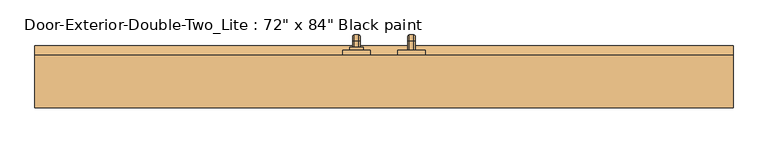
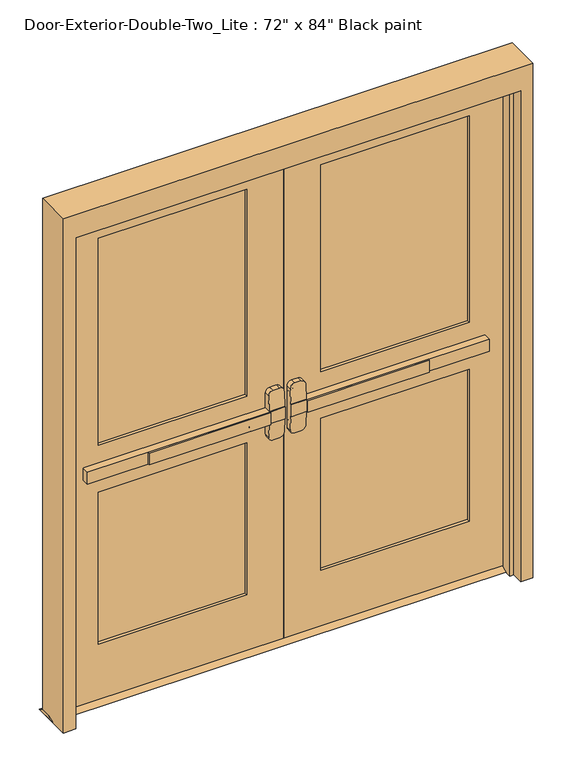
"""IFC4 building model written with IfcOpenShell, lengths in millimetres: door geometry."""

from ifc_helpers import new_model, si_unit, point, frame, frame_2d, origin, place, context, project, spatial, polyline, circle_curve, ellipse_curve, trimmed, segment, composite_curve, outline, extrude, faceted_brep, source, transform, mapped, element, save
from ifc_brep_helpers import plane_surface, cylinder_surface, revolved_surface, advanced_brep


def door_16f6c9f8(model_context):
    return source(origin(), model_context, "Body", "SolidModel", [
        extrude(outline(polyline([(-575.7333333, -4.7625), (-575.7333333, 1.5875), (-76.2, 1.5875), (-76.2, -4.7625), (-575.7333333, -4.7625)])), frame((0.0, 0.0, 990.6), z_axis=(0.0, 0.0, 1.0), x_axis=(1.0, 0.0, 0.0)), (0.0, 0.0, 1.0), 50.8),
        advanced_brep(
        [(-12.7, 1.5875, 1041.4), (-76.2, 1.5875, 1041.4), (-825.5, 1.5875, 1041.4), (-825.5, 1.5875, 990.6), (-76.2, 1.5875, 990.6), (-12.7, 1.5875, 990.6), (-825.5, 33.3375, 1041.4), (-76.2, 33.3375, 1041.4), (-76.2, 33.3375, 1104.9), (-57.15, 33.3375, 1123.95), (-31.75, 33.3375, 1123.95), (-12.7, 33.3375, 1104.9), (-12.7, 33.3375, 927.1), (-31.75, 33.3375, 908.05), (-57.15, 33.3375, 908.05), (-76.2, 33.3375, 927.1), (-76.2, 33.3375, 990.6), (-825.5, 33.3375, 990.6), (-12.7, 4.7627467, 1041.4), (-76.2, 4.7627467, 1041.4), (-12.7, 4.7627467, 990.6), (-12.7, 9.7729269, 927.1), (-12.7, 9.7729269, 1104.9), (-76.2, 4.7627467, 990.6), (-76.2, 9.7729269, 1104.9), (-76.2, 9.7729269, 927.1), (-57.15, 11.275981, 1123.95), (-31.75, 11.275981, 1123.95), (-31.75, 11.275981, 908.05), (-57.15, 11.275981, 908.05)],
        [
            (0, 1),
            (1, 2),
            (2, 3),
            (3, 4),
            (4, 5),
            (5, 0),
            (6, 7),
            (7, 8),
            (8, 9, circle_curve(frame((-57.15, 33.3375, 1104.9), z_axis=(0.0, 1.0, 0.0), x_axis=(-1.0, 0.0, 0.0)), 19.05)),
            (9, 10),
            (10, 11, circle_curve(frame((-31.75, 33.3375, 1104.9), z_axis=(0.0, 1.0, 0.0), x_axis=(-1.0, 0.0, 0.0)), 19.05)),
            (11, 12),
            (12, 13, circle_curve(frame((-31.75, 33.3375, 927.1), z_axis=(0.0, 1.0, 0.0), x_axis=(-1.0, 0.0, 0.0)), 19.05)),
            (13, 14),
            (14, 15, circle_curve(frame((-57.15, 33.3375, 927.1), z_axis=(0.0, 1.0, 0.0), x_axis=(-1.0, 0.0, 0.0)), 19.05)),
            (15, 16),
            (16, 17),
            (17, 6),
            (0, 18),
            (18, 19),
            (19, 7),
            (6, 2),
            (5, 20),
            (20, 21),
            (21, 12),
            (11, 22),
            (22, 18),
            (16, 23),
            (23, 20),
            (3, 17),
            (19, 24),
            (24, 8),
            (15, 25),
            (25, 23),
            (9, 26),
            (26, 27),
            (27, 10),
            (13, 28),
            (28, 29),
            (29, 14),
            (29, 25, ellipse_curve(frame((-57.15, 9.7729269, 927.1), z_axis=(0.0, 0.9969018152893365, 0.07865602756830282), x_axis=(0.0, -0.07865602756830208, 0.9969018152893365)), 19.1092038, 19.05)),
            (24, 26, ellipse_curve(frame((-57.15, 9.7729269, 1104.9), z_axis=(0.0, 0.9969018152893376, -0.07865602756828934), x_axis=(0.0, -0.078656027568288, -0.9969018152893377)), 19.1092038, 19.05)),
            (27, 22, ellipse_curve(frame((-31.75, 9.7729269, 1104.9), z_axis=(0.0, 0.9969018152893376, -0.07865602756828934), x_axis=(0.0, -0.078656027568288, -0.9969018152893377)), 19.1092038, 19.05)),
            (21, 28, ellipse_curve(frame((-31.75, 9.7729269, 927.1), z_axis=(0.0, 0.9969018152893365, 0.07865602756830282), x_axis=(0.0, -0.07865602756830208, 0.9969018152893365)), 19.1092038, 19.05)),
        ],
        [
            plane_surface(frame((-12.7, 1.5875, 1041.4), z_axis=(0.0, -1.0, 0.0), x_axis=(1.0, 0.0, 0.0))),
            plane_surface(frame((-12.7, 33.3375, 1041.4), z_axis=(0.0, 1.0, 0.0), x_axis=(-1.0, 0.0, 0.0))),
            plane_surface(frame((-825.5, 1.5875, 1041.4), z_axis=(0.0, 0.0, 1.0), x_axis=(0.0, 1.0, 0.0))),
            plane_surface(frame((-12.7, 1.5875, 1041.4), z_axis=(1.0, 0.0, 0.0), x_axis=(0.0, 1.0, 0.0))),
            plane_surface(frame((-12.7, 1.5875, 990.6), z_axis=(0.0, 0.0, -1.0), x_axis=(0.0, 1.0, 0.0))),
            plane_surface(frame((-825.5, 1.5875, 990.6), z_axis=(-1.0, 0.0, 0.0), x_axis=(0.0, 1.0, 0.0))),
            plane_surface(frame((-76.2, 4.7627467, 927.1), z_axis=(-1.0, 0.0, 0.0), x_axis=(0.0, 1.0, 0.0))),
            plane_surface(frame((-57.15, 4.7627467, 1123.95), z_axis=(0.0, 0.0, 1.0), x_axis=(0.0, 1.0, 0.0))),
            plane_surface(frame((-31.75, 4.7627467, 908.05), z_axis=(0.0, 0.0, -1.0), x_axis=(0.0, 1.0, 0.0))),
            cylinder_surface(frame((-57.15, 33.3375, 927.1), z_axis=(0.0, -1.0, 0.0), x_axis=(-1.0, 0.0, 0.0)), 19.05),
            cylinder_surface(frame((-57.15, 33.3375, 1104.9), z_axis=(0.0, -1.0, 0.0), x_axis=(-1.0, 0.0, 0.0)), 19.05),
            cylinder_surface(frame((-31.75, 33.3375, 1104.9), z_axis=(0.0, -1.0, 0.0), x_axis=(-1.0, 0.0, 0.0)), 19.05),
            cylinder_surface(frame((-31.75, 33.3375, 927.1), z_axis=(0.0, -1.0, 0.0), x_axis=(-1.0, 0.0, 0.0)), 19.05),
            plane_surface(frame((-76.2, 4.7627467, 1041.4), z_axis=(0.0, -0.9969018152893376, 0.07865602756828934), x_axis=(1.0, 0.0, 0.0))),
            plane_surface(frame((-76.2, 11.275981, 908.05), z_axis=(0.0, -0.9969018152893365, -0.07865602756830282), x_axis=(1.0, 0.0, 0.0))),
        ],
        [
            (0, [[1, 2, 3, 4, 5, 6]]),
            (1, [[7, 8, 9, 10, 11, 12, 13, 14, 15, 16, 17, 18]]),
            (2, [[-2, -1, 19, 20, 21, -7, 22]]),
            (3, [[23, 24, 25, -12, 26, 27, -19, -6]]),
            (4, [[-17, 28, 29, -23, -5, -4, 30]]),
            (5, [[-22, -18, -30, -3]]),
            (6, [[-21, 31, 32, -8]]),
            (6, [[33, 34, -28, -16]]),
            (7, [[35, 36, 37, -10]]),
            (8, [[38, 39, 40, -14]]),
            (9, [[-40, 41, -33, -15]]),
            (10, [[-32, 42, -35, -9]]),
            (11, [[-37, 43, -26, -11]]),
            (12, [[-25, 44, -38, -13]]),
            (13, [[-27, -43, -36, -42, -31, -20]]),
            (14, [[-29, -34, -41, -39, -44, -24]]),
        ],
    ),
        extrude(outline(polyline([(77.7875, 12.7), (103.1875, 0.0), (7.9375, 0.0), (33.3375, 12.7), (77.7875, 12.7)])), frame((-965.2, 0.0, 0.0), z_axis=(1.0, 0.0, 0.0), x_axis=(0.0, 1.0, 0.0)), (0.0, 0.0, 1.0), 1930.4),
        extrude(outline(polyline([(575.7333333, -4.7625), (76.2, -4.7625), (76.2, 1.5875), (575.7333333, 1.5875), (575.7333333, -4.7625)])), frame((0.0, 0.0, 990.6), z_axis=(0.0, 0.0, 1.0), x_axis=(1.0, 0.0, 0.0)), (0.0, 0.0, 1.0), 50.8),
        advanced_brep(
        [(12.7, 1.5875, 1041.4), (12.7, 1.5875, 990.6), (76.2, 1.5875, 990.6), (825.5, 1.5875, 990.6), (825.5, 1.5875, 1041.4), (76.2, 1.5875, 1041.4), (825.5, 33.3375, 1041.4), (825.5, 33.3375, 990.6), (76.2, 33.3375, 990.6), (76.2, 33.3375, 927.1), (57.15, 33.3375, 908.05), (31.75, 33.3375, 908.05), (12.7, 33.3375, 927.1), (12.7, 33.3375, 1104.9), (31.75, 33.3375, 1123.95), (57.15, 33.3375, 1123.95), (76.2, 33.3375, 1104.9), (76.2, 33.3375, 1041.4), (76.2, 4.7627467, 1041.4), (12.7, 4.7627467, 1041.4), (12.7, 9.7729269, 1104.9), (12.7, 9.7729269, 927.1), (12.7, 4.7627467, 990.6), (76.2, 4.7627467, 990.6), (76.2, 9.7729269, 927.1), (76.2, 9.7729269, 1104.9), (31.75, 11.275981, 1123.95), (57.15, 11.275981, 1123.95), (57.15, 11.275981, 908.05), (31.75, 11.275981, 908.05)],
        [
            (0, 1),
            (1, 2),
            (2, 3),
            (3, 4),
            (4, 5),
            (5, 0),
            (6, 7),
            (7, 8),
            (8, 9),
            (9, 10, circle_curve(frame((57.15, 33.3375, 927.1), z_axis=(0.0, 1.0, 0.0), x_axis=(1.0, 0.0, 0.0)), 19.05)),
            (10, 11),
            (11, 12, circle_curve(frame((31.75, 33.3375, 927.1), z_axis=(0.0, 1.0, 0.0), x_axis=(1.0, 0.0, 0.0)), 19.05)),
            (12, 13),
            (13, 14, circle_curve(frame((31.75, 33.3375, 1104.9), z_axis=(0.0, 1.0, 0.0), x_axis=(1.0, 0.0, 0.0)), 19.05)),
            (14, 15),
            (15, 16, circle_curve(frame((57.15, 33.3375, 1104.9), z_axis=(0.0, 1.0, 0.0), x_axis=(1.0, 0.0, 0.0)), 19.05)),
            (16, 17),
            (17, 6),
            (4, 6),
            (17, 18),
            (18, 19),
            (19, 0),
            (19, 20),
            (20, 13),
            (12, 21),
            (21, 22),
            (22, 1),
            (7, 3),
            (22, 23),
            (23, 8),
            (23, 24),
            (24, 9),
            (16, 25),
            (25, 18),
            (14, 26),
            (26, 27),
            (27, 15),
            (10, 28),
            (28, 29),
            (29, 11),
            (24, 28, ellipse_curve(frame((57.15, 9.7729269, 927.1), z_axis=(0.0, 0.9969018152893365, 0.07865602756830282), x_axis=(0.0, -0.07865602756830208, 0.9969018152893365)), 19.1092038, 19.05)),
            (27, 25, ellipse_curve(frame((57.15, 9.7729269, 1104.9), z_axis=(0.0, 0.9969018152893376, -0.07865602756828934), x_axis=(0.0, -0.078656027568288, -0.9969018152893377)), 19.1092038, 19.05)),
            (20, 26, ellipse_curve(frame((31.75, 9.7729269, 1104.9), z_axis=(0.0, 0.9969018152893376, -0.07865602756828934), x_axis=(0.0, -0.078656027568288, -0.9969018152893377)), 19.1092038, 19.05)),
            (29, 21, ellipse_curve(frame((31.75, 9.7729269, 927.1), z_axis=(0.0, 0.9969018152893365, 0.07865602756830282), x_axis=(0.0, -0.07865602756830208, 0.9969018152893365)), 19.1092038, 19.05)),
        ],
        [
            plane_surface(frame((12.7, 1.5875, 1041.4), z_axis=(0.0, -1.0, 0.0), x_axis=(-1.0, 0.0, 0.0))),
            plane_surface(frame((12.7, 33.3375, 1041.4), z_axis=(0.0, 1.0, 0.0), x_axis=(1.0, 0.0, 0.0))),
            plane_surface(frame((825.5, 1.5875, 1041.4), z_axis=(0.0, 0.0, 1.0), x_axis=(0.0, 1.0, 0.0))),
            plane_surface(frame((12.7, 1.5875, 1041.4), z_axis=(-1.0, 0.0, 0.0), x_axis=(0.0, 1.0, 0.0))),
            plane_surface(frame((12.7, 1.5875, 990.6), z_axis=(0.0, 0.0, -1.0), x_axis=(0.0, 1.0, 0.0))),
            plane_surface(frame((825.5, 1.5875, 990.6), z_axis=(1.0, 0.0, 0.0), x_axis=(0.0, 1.0, 0.0))),
            plane_surface(frame((76.2, 4.7627467, 927.1), z_axis=(1.0, 0.0, 0.0), x_axis=(0.0, 1.0, 0.0))),
            plane_surface(frame((57.15, 4.7627467, 1123.95), z_axis=(0.0, 0.0, 1.0), x_axis=(0.0, 1.0, 0.0))),
            plane_surface(frame((31.75, 4.7627467, 908.05), z_axis=(0.0, 0.0, -1.0), x_axis=(0.0, 1.0, 0.0))),
            cylinder_surface(frame((57.15, 33.3375, 927.1), z_axis=(0.0, -1.0, 0.0), x_axis=(1.0, 0.0, 0.0)), 19.05),
            cylinder_surface(frame((57.15, 33.3375, 1104.9), z_axis=(0.0, -1.0, 0.0), x_axis=(1.0, 0.0, 0.0)), 19.05),
            cylinder_surface(frame((31.75, 33.3375, 1104.9), z_axis=(0.0, -1.0, 0.0), x_axis=(1.0, 0.0, 0.0)), 19.05),
            cylinder_surface(frame((31.75, 33.3375, 927.1), z_axis=(0.0, -1.0, 0.0), x_axis=(1.0, 0.0, 0.0)), 19.05),
            plane_surface(frame((76.2, 4.7627467, 1041.4), z_axis=(0.0, -0.9969018152893376, 0.07865602756828934), x_axis=(-1.0, 0.0, 0.0))),
            plane_surface(frame((76.2, 11.275981, 908.05), z_axis=(0.0, -0.9969018152893365, -0.07865602756830282), x_axis=(-1.0, 0.0, 0.0))),
        ],
        [
            (0, [[1, 2, 3, 4, 5, 6]]),
            (1, [[7, 8, 9, 10, 11, 12, 13, 14, 15, 16, 17, 18]]),
            (2, [[19, -18, 20, 21, 22, -6, -5]]),
            (3, [[-1, -22, 23, 24, -13, 25, 26, 27]]),
            (4, [[28, -3, -2, -27, 29, 30, -8]]),
            (5, [[-4, -28, -7, -19]]),
            (6, [[-9, -30, 31, 32]]),
            (6, [[-17, 33, 34, -20]]),
            (7, [[-15, 35, 36, 37]]),
            (8, [[-11, 38, 39, 40]]),
            (9, [[-10, -32, 41, -38]]),
            (10, [[-16, -37, 42, -33]]),
            (11, [[-14, -24, 43, -35]]),
            (12, [[-12, -40, 44, -25]]),
            (13, [[-21, -34, -42, -36, -43, -23]]),
            (14, [[-26, -44, -39, -41, -31, -29]]),
        ],
    ),
        advanced_brep(
        [(66.2, 90.4875, 1017.190625), (66.2, 90.4875, 1014.809375), (69.771875, 90.4875, 1011.2375), (82.6284594, 90.4875, 1011.2375), (86.2, 90.4875, 1014.8090406), (86.2, 90.4875, 1017.190625), (82.628125, 90.4875, 1020.7625), (69.771875, 90.4875, 1020.7625), (66.2, 90.4875, 887.809375), (69.771875, 90.4875, 884.2375), (82.628125, 90.4875, 884.2375), (86.2, 90.4875, 887.809375), (86.2, 90.4875, 890.1909594), (82.6284594, 90.4875, 893.7625), (69.771875, 90.4875, 893.7625), (66.2, 90.4875, 890.190625), (66.2, 115.8875, 1017.190625), (66.2, 129.778125, 1003.3), (66.2, 129.778125, 901.7), (66.2, 115.8875, 887.809375), (66.2, 115.8875, 890.190625), (66.2, 127.396875, 901.7), (66.2, 127.396875, 1003.3), (66.2, 115.8875, 1014.809375), (69.771875, 115.8875, 1011.2375), (82.6284594, 115.8875, 1011.2375), (86.2, 115.8875, 1014.8090406), (86.2, 127.3965406, 1003.3), (86.2, 127.3965406, 901.7), (86.2, 115.8875, 890.1909594), (86.2, 115.8875, 887.809375), (86.2, 129.778125, 901.7), (86.2, 129.778125, 1003.3), (86.2, 115.8875, 1017.190625), (82.628125, 115.8875, 1020.7625), (69.771875, 115.8875, 1020.7625), (69.771875, 123.825, 1003.3), (82.6284594, 123.825, 1003.3), (82.628125, 133.35, 1003.3), (69.771875, 133.35, 1003.3), (69.771875, 123.825, 901.7), (82.6284594, 123.825, 901.7), (82.628125, 133.35, 901.7), (69.771875, 133.35, 901.7), (69.771875, 115.8875, 893.7625), (82.6284594, 115.8875, 893.7625), (82.628125, 115.8875, 884.2375), (69.771875, 115.8875, 884.2375)],
        [
            (0, 1),
            (1, 2, circle_curve(frame((69.771875, 90.4875, 1014.809375), z_axis=(0.0, -1.0, 0.0), x_axis=(0.0, 0.0, 1.0)), 3.571875)),
            (2, 3),
            (3, 4, circle_curve(frame((82.6284594, 90.4875, 1014.8090406), z_axis=(0.0, -1.0, 0.0), x_axis=(0.0, 0.0, 1.0)), 3.5715406)),
            (4, 5),
            (5, 6, circle_curve(frame((82.628125, 90.4875, 1017.190625), z_axis=(0.0, -1.0, 0.0), x_axis=(0.0, 0.0, 1.0)), 3.571875)),
            (6, 7),
            (7, 0, circle_curve(frame((69.771875, 90.4875, 1017.190625), z_axis=(0.0, -1.0, 0.0), x_axis=(0.0, 0.0, 1.0)), 3.571875)),
            (8, 9, circle_curve(frame((69.771875, 90.4875, 887.809375), z_axis=(0.0, -1.0, 0.0), x_axis=(0.0, 0.0, -1.0)), 3.571875)),
            (9, 10),
            (10, 11, circle_curve(frame((82.628125, 90.4875, 887.809375), z_axis=(0.0, -1.0, 0.0), x_axis=(0.0, 0.0, -1.0)), 3.571875)),
            (11, 12),
            (12, 13, circle_curve(frame((82.6284594, 90.4875, 890.1909594), z_axis=(0.0, -1.0, 0.0), x_axis=(0.0, 0.0, -1.0)), 3.5715406)),
            (13, 14),
            (14, 15, circle_curve(frame((69.771875, 90.4875, 890.190625), z_axis=(0.0, -1.0, 0.0), x_axis=(0.0, 0.0, -1.0)), 3.571875)),
            (15, 8),
            (0, 16),
            (16, 17, circle_curve(frame((66.2, 115.8875, 1003.3), z_axis=(-1.0, 0.0, 0.0), x_axis=(0.0, 0.0, 1.0)), 13.890625)),
            (17, 18),
            (18, 19, circle_curve(frame((66.2, 115.8875, 901.7), z_axis=(-1.0, 0.0, 0.0), x_axis=(0.0, 1.0, 0.0)), 13.890625)),
            (19, 8),
            (15, 20),
            (20, 21, circle_curve(frame((66.2, 115.8875, 901.7), z_axis=(1.0, 0.0, 0.0), x_axis=(0.0, 1.0, 0.0)), 11.509375)),
            (21, 22),
            (22, 23, circle_curve(frame((66.2, 115.8875, 1003.3), z_axis=(1.0, 0.0, 0.0), x_axis=(0.0, 0.0, 1.0)), 11.509375)),
            (23, 1),
            (23, 24, circle_curve(frame((69.771875, 115.8875, 1014.809375), z_axis=(0.0, -1.0, 0.0), x_axis=(0.0, 0.0, 1.0)), 3.571875)),
            (24, 2),
            (24, 25),
            (25, 3),
            (25, 26, circle_curve(frame((82.6284594, 115.8875, 1014.8090406), z_axis=(0.0, -1.0, 0.0), x_axis=(0.0, 0.0, 1.0)), 3.5715406)),
            (26, 4),
            (26, 27, circle_curve(frame((86.2, 115.8875, 1003.3), z_axis=(-1.0, 0.0, 0.0), x_axis=(0.0, 0.0, 1.0)), 11.5090406)),
            (27, 28),
            (28, 29, circle_curve(frame((86.2, 115.8875, 901.7), z_axis=(-1.0, 0.0, 0.0), x_axis=(0.0, 1.0, 0.0)), 11.5090406)),
            (29, 12),
            (11, 30),
            (30, 31, circle_curve(frame((86.2, 115.8875, 901.7), z_axis=(1.0, 0.0, 0.0), x_axis=(0.0, 1.0, 0.0)), 13.890625)),
            (31, 32),
            (32, 33, circle_curve(frame((86.2, 115.8875, 1003.3), z_axis=(1.0, 0.0, 0.0), x_axis=(0.0, 0.0, 1.0)), 13.890625)),
            (33, 5),
            (33, 34, circle_curve(frame((82.628125, 115.8875, 1017.190625), z_axis=(0.0, -1.0, 0.0), x_axis=(0.0, 0.0, 1.0)), 3.571875)),
            (34, 6),
            (34, 35),
            (35, 7),
            (35, 16, circle_curve(frame((69.771875, 115.8875, 1017.190625), z_axis=(0.0, -1.0, 0.0), x_axis=(0.0, 0.0, 1.0)), 3.571875)),
            (36, 24, circle_curve(frame((69.771875, 115.8875, 1003.3), z_axis=(1.0, 0.0, 0.0), x_axis=(0.0, 0.0, 1.0)), 7.9375)),
            (22, 36, circle_curve(frame((69.771875, 127.396875, 1003.3), z_axis=(0.0, 0.0, 1.0), x_axis=(0.0, 1.0, 0.0)), 3.571875)),
            (37, 25, circle_curve(frame((82.6284594, 115.8875, 1003.3), z_axis=(1.0, 0.0, 0.0), x_axis=(0.0, 0.0, 1.0)), 7.9375)),
            (36, 37),
            (37, 27, circle_curve(frame((82.6284594, 127.3965406, 1003.3), z_axis=(0.0, 0.0, 1.0), x_axis=(0.0, 1.0, 0.0)), 3.5715406)),
            (38, 34, circle_curve(frame((82.628125, 115.8875, 1003.3), z_axis=(1.0, 0.0, 0.0), x_axis=(0.0, 0.0, 1.0)), 17.4625)),
            (32, 38, circle_curve(frame((82.628125, 129.778125, 1003.3), z_axis=(0.0, 0.0, 1.0), x_axis=(0.0, 1.0, 0.0)), 3.571875)),
            (39, 35, circle_curve(frame((69.771875, 115.8875, 1003.3), z_axis=(1.0, 0.0, 0.0), x_axis=(0.0, 0.0, 1.0)), 17.4625)),
            (38, 39),
            (39, 17, circle_curve(frame((69.771875, 129.778125, 1003.3), z_axis=(0.0, 0.0, 1.0), x_axis=(0.0, 1.0, 0.0)), 3.571875)),
            (21, 40, circle_curve(frame((69.771875, 127.396875, 901.7), z_axis=(0.0, 0.0, 1.0), x_axis=(0.0, 1.0, 0.0)), 3.571875)),
            (40, 36),
            (40, 41),
            (41, 37),
            (41, 28, circle_curve(frame((82.6284594, 127.3965406, 901.7), z_axis=(0.0, 0.0, 1.0), x_axis=(0.0, 1.0, 0.0)), 3.5715406)),
            (31, 42, circle_curve(frame((82.628125, 129.778125, 901.7), z_axis=(0.0, 0.0, 1.0), x_axis=(0.0, 1.0, 0.0)), 3.571875)),
            (42, 38),
            (42, 43),
            (43, 39),
            (43, 18, circle_curve(frame((69.771875, 129.778125, 901.7), z_axis=(0.0, 0.0, 1.0), x_axis=(0.0, 1.0, 0.0)), 3.571875)),
            (44, 40, circle_curve(frame((69.771875, 115.8875, 901.7), z_axis=(1.0, 0.0, 0.0), x_axis=(0.0, 1.0, 0.0)), 7.9375)),
            (20, 44, circle_curve(frame((69.771875, 115.8875, 890.190625), z_axis=(0.0, 1.0, 0.0), x_axis=(0.0, 0.0, -1.0)), 3.571875)),
            (45, 41, circle_curve(frame((82.6284594, 115.8875, 901.7), z_axis=(1.0, 0.0, 0.0), x_axis=(0.0, 1.0, 0.0)), 7.9375)),
            (44, 45),
            (45, 29, circle_curve(frame((82.6284594, 115.8875, 890.1909594), z_axis=(0.0, 1.0, 0.0), x_axis=(0.0, 0.0, -1.0)), 3.5715406)),
            (46, 42, circle_curve(frame((82.628125, 115.8875, 901.7), z_axis=(1.0, 0.0, 0.0), x_axis=(0.0, 1.0, 0.0)), 17.4625)),
            (30, 46, circle_curve(frame((82.628125, 115.8875, 887.809375), z_axis=(0.0, 1.0, 0.0), x_axis=(0.0, 0.0, -1.0)), 3.571875)),
            (47, 43, circle_curve(frame((69.771875, 115.8875, 901.7), z_axis=(1.0, 0.0, 0.0), x_axis=(0.0, 1.0, 0.0)), 17.4625)),
            (46, 47),
            (47, 19, circle_curve(frame((69.771875, 115.8875, 887.809375), z_axis=(0.0, 1.0, 0.0), x_axis=(0.0, 0.0, -1.0)), 3.571875)),
            (14, 44),
            (13, 45),
            (10, 46),
            (9, 47),
        ],
        [
            plane_surface(frame((76.2, 90.4875, 1016.0), z_axis=(0.0, -1.0, 0.0), x_axis=(1.0, 0.0, 0.0))),
            plane_surface(frame((76.2, 90.4875, 889.0), z_axis=(0.0, -1.0, 0.0), x_axis=(1.0, 0.0, 0.0))),
            plane_surface(frame((66.2, 90.4875, 1017.190625), z_axis=(-1.0, 0.0, 0.0), x_axis=(0.0, 1.0, 0.0))),
            cylinder_surface(frame((69.771875, 90.4875, 1014.809375), z_axis=(0.0, -1.0, 0.0), x_axis=(0.0, 0.0, 1.0)), 3.571875),
            plane_surface(frame((69.771875, 90.4875, 1011.2375), z_axis=(0.0, 0.0, -1.0), x_axis=(0.0, 1.0, 0.0))),
            cylinder_surface(frame((82.6284594, 90.4875, 1014.8090406), z_axis=(0.0, -1.0, 0.0), x_axis=(0.0, 0.0, 1.0)), 3.5715406),
            plane_surface(frame((86.2, 90.4875, 1014.8090406), z_axis=(1.0, 0.0, 0.0), x_axis=(0.0, 1.0, 0.0))),
            cylinder_surface(frame((82.628125, 90.4875, 1017.190625), z_axis=(0.0, -1.0, 0.0), x_axis=(0.0, 0.0, 1.0)), 3.571875),
            plane_surface(frame((82.628125, 90.4875, 1020.7625), z_axis=(0.0, 0.0, 1.0), x_axis=(0.0, 1.0, 0.0))),
            cylinder_surface(frame((69.771875, 90.4875, 1017.190625), z_axis=(0.0, -1.0, 0.0), x_axis=(0.0, 0.0, 1.0)), 3.571875),
            revolved_surface(trimmed(ellipse_curve(frame((69.771875, 115.8875, 1014.809375), z_axis=(0.0, -1.0, 0.0), x_axis=(0.0, 0.0, 1.0)), 3.571875, 3.571875), [point((66.2, 115.8875, 1014.809375))], [point((69.771875, 115.8875, 1011.2375))], True, "CARTESIAN"), (76.2, 115.8875, 1003.3), (-1.0, 0.0, 0.0)),
            revolved_surface(polyline([(69.771875, 115.8875, 1011.2375), (82.6284594, 115.8875, 1011.2375)]), (76.2, 115.8875, 1003.3), (-1.0, 0.0, 0.0)),
            revolved_surface(trimmed(ellipse_curve(frame((82.6284594, 115.8875, 1014.8090406), z_axis=(0.0, -1.0, 0.0), x_axis=(0.0, 0.0, 1.0)), 3.5715406, 3.5715406), [point((82.6284594, 115.8875, 1011.2375))], [point((86.2, 115.8875, 1014.8090406))], True, "CARTESIAN"), (76.2, 115.8875, 1003.3), (-1.0, 0.0, 0.0)),
            revolved_surface(trimmed(ellipse_curve(frame((82.628125, 115.8875, 1017.190625), z_axis=(0.0, -1.0, 0.0), x_axis=(0.0, 0.0, 1.0)), 3.571875, 3.571875), [point((86.2, 115.8875, 1017.190625))], [point((82.628125, 115.8875, 1020.7625))], True, "CARTESIAN"), (76.2, 115.8875, 1003.3), (-1.0, 0.0, 0.0)),
            cylinder_surface(frame((76.2, 115.8875, 1003.3), z_axis=(-1.0, 0.0, 0.0), x_axis=(0.0, 0.0, 1.0)), 17.4625),
            revolved_surface(trimmed(ellipse_curve(frame((69.771875, 115.8875, 1017.190625), z_axis=(0.0, -1.0, 0.0), x_axis=(0.0, 0.0, 1.0)), 3.571875, 3.571875), [point((69.771875, 115.8875, 1020.7625))], [point((66.2, 115.8875, 1017.190625))], True, "CARTESIAN"), (76.2, 115.8875, 1003.3), (-1.0, 0.0, 0.0)),
            cylinder_surface(frame((69.771875, 127.396875, 1003.3), z_axis=(0.0, 0.0, 1.0), x_axis=(0.0, 1.0, 0.0)), 3.571875),
            plane_surface(frame((69.771875, 123.825, 1003.3), z_axis=(0.0, -1.0, 0.0), x_axis=(0.0, 0.0, -1.0))),
            cylinder_surface(frame((82.6284594, 127.3965406, 1003.3), z_axis=(0.0, 0.0, 1.0), x_axis=(0.0, 1.0, 0.0)), 3.5715406),
            cylinder_surface(frame((82.628125, 129.778125, 1003.3), z_axis=(0.0, 0.0, 1.0), x_axis=(0.0, 1.0, 0.0)), 3.571875),
            plane_surface(frame((82.628125, 133.35, 1003.3), z_axis=(0.0, 1.0, 0.0), x_axis=(0.0, 0.0, -1.0))),
            cylinder_surface(frame((69.771875, 129.778125, 1003.3), z_axis=(0.0, 0.0, 1.0), x_axis=(0.0, 1.0, 0.0)), 3.571875),
            revolved_surface(trimmed(ellipse_curve(frame((69.771875, 127.396875, 901.7), z_axis=(0.0, 0.0, 1.0), x_axis=(0.0, 1.0, 0.0)), 3.571875, 3.571875), [point((66.2, 127.396875, 901.7))], [point((69.771875, 123.825, 901.7))], True, "CARTESIAN"), (76.2, 115.8875, 901.7), (-1.0, 0.0, 0.0)),
            revolved_surface(polyline([(69.771875, 123.825, 901.7), (82.6284594, 123.825, 901.7)]), (76.2, 115.8875, 901.7), (-1.0, 0.0, 0.0)),
            revolved_surface(trimmed(ellipse_curve(frame((82.6284594, 127.3965406, 901.7), z_axis=(0.0, 0.0, 1.0), x_axis=(0.0, 1.0, 0.0)), 3.5715406, 3.5715406), [point((82.6284594, 123.825, 901.7))], [point((86.2, 127.3965406, 901.7))], True, "CARTESIAN"), (76.2, 115.8875, 901.7), (-1.0, 0.0, 0.0)),
            revolved_surface(trimmed(ellipse_curve(frame((82.628125, 129.778125, 901.7), z_axis=(0.0, 0.0, 1.0), x_axis=(0.0, 1.0, 0.0)), 3.571875, 3.571875), [point((86.2, 129.778125, 901.7))], [point((82.628125, 133.35, 901.7))], True, "CARTESIAN"), (76.2, 115.8875, 901.7), (-1.0, 0.0, 0.0)),
            cylinder_surface(frame((76.2, 115.8875, 901.7), z_axis=(-1.0, 0.0, 0.0), x_axis=(0.0, 1.0, 0.0)), 17.4625),
            revolved_surface(trimmed(ellipse_curve(frame((69.771875, 129.778125, 901.7), z_axis=(0.0, 0.0, 1.0), x_axis=(0.0, 1.0, 0.0)), 3.571875, 3.571875), [point((69.771875, 133.35, 901.7))], [point((66.2, 129.778125, 901.7))], True, "CARTESIAN"), (76.2, 115.8875, 901.7), (-1.0, 0.0, 0.0)),
            cylinder_surface(frame((69.771875, 115.8875, 890.190625), z_axis=(0.0, 1.0, 0.0), x_axis=(0.0, 0.0, -1.0)), 3.571875),
            plane_surface(frame((69.771875, 115.8875, 893.7625), z_axis=(0.0, 0.0, 1.0), x_axis=(0.0, -1.0, 0.0))),
            cylinder_surface(frame((82.6284594, 115.8875, 890.1909594), z_axis=(0.0, 1.0, 0.0), x_axis=(0.0, 0.0, -1.0)), 3.5715406),
            cylinder_surface(frame((82.628125, 115.8875, 887.809375), z_axis=(0.0, 1.0, 0.0), x_axis=(0.0, 0.0, -1.0)), 3.571875),
            plane_surface(frame((82.628125, 115.8875, 884.2375), z_axis=(0.0, 0.0, -1.0), x_axis=(0.0, -1.0, 0.0))),
            cylinder_surface(frame((69.771875, 115.8875, 887.809375), z_axis=(0.0, 1.0, 0.0), x_axis=(0.0, 0.0, -1.0)), 3.571875),
        ],
        [
            (0, [[1, 2, 3, 4, 5, 6, 7, 8]]),
            (1, [[9, 10, 11, 12, 13, 14, 15, 16]]),
            (2, [[-1, 17, 18, 19, 20, 21, -16, 22, 23, 24, 25, 26]]),
            (3, [[-2, -26, 27, 28]]),
            (4, [[-3, -28, 29, 30]]),
            (5, [[-4, -30, 31, 32]]),
            (6, [[-5, -32, 33, 34, 35, 36, -12, 37, 38, 39, 40, 41]]),
            (7, [[-6, -41, 42, 43]]),
            (8, [[-7, -43, 44, 45]]),
            (9, [[-8, -45, 46, -17]]),
            (10, [[47, -27, -25, 48]]),
            (11, [[49, -29, -47, 50]]),
            (12, [[-33, -31, -49, 51]]),
            (13, [[52, -42, -40, 53]]),
            (14, [[54, -44, -52, 55]]),
            (15, [[-18, -46, -54, 56]]),
            (16, [[-48, -24, 57, 58]]),
            (17, [[-50, -58, 59, 60]]),
            (18, [[-51, -60, 61, -34]]),
            (19, [[-53, -39, 62, 63]]),
            (20, [[-55, -63, 64, 65]]),
            (21, [[-56, -65, 66, -19]]),
            (22, [[67, -57, -23, 68]]),
            (23, [[69, -59, -67, 70]]),
            (24, [[-35, -61, -69, 71]]),
            (25, [[72, -62, -38, 73]]),
            (26, [[74, -64, -72, 75]]),
            (27, [[-20, -66, -74, 76]]),
            (28, [[-68, -22, -15, 77]]),
            (29, [[-70, -77, -14, 78]]),
            (30, [[-71, -78, -13, -36]]),
            (31, [[-73, -37, -11, 79]]),
            (32, [[-75, -79, -10, 80]]),
            (33, [[-76, -80, -9, -21]]),
        ],
    ),
        extrude(outline(composite_curve([segment(trimmed(circle_curve(frame_2d((1113.0338574, 76.2)), 89.3016225), [point((1193.8, 114.3))], [point((1193.8, 38.1))], False, "CARTESIAN"), True, "CONTINUOUS"), segment(polyline([(1193.8, 38.1), (838.2, 38.1)]), True, "CONTINUOUS"), segment(trimmed(circle_curve(frame_2d((918.9661426, 76.2)), 89.3016225), [point((838.2, 38.1))], [point((838.2, 114.3))], False, "CARTESIAN"), True, "CONTINUOUS"), segment(polyline([(838.2, 114.3), (1193.8, 114.3)]), True, "CONTINUOUS")], self_intersect=False)), frame((0.0, 77.7875, 0.0), z_axis=(0.0, 1.0, 0.0), x_axis=(0.0, 0.0, 1.0)), (0.0, 0.0, 1.0), 12.7),
        advanced_brep(
        [(-86.2, 90.4875, 1017.190625), (-86.2, 90.4875, 1014.809375), (-82.628125, 90.4875, 1011.2375), (-69.7715406, 90.4875, 1011.2375), (-66.2, 90.4875, 1014.8090406), (-66.2, 90.4875, 1017.190625), (-69.771875, 90.4875, 1020.7625), (-82.628125, 90.4875, 1020.7625), (-86.2, 90.4875, 887.809375), (-82.628125, 90.4875, 884.2375), (-69.771875, 90.4875, 884.2375), (-66.2, 90.4875, 887.809375), (-66.2, 90.4875, 890.1909594), (-69.7715406, 90.4875, 893.7625), (-82.628125, 90.4875, 893.7625), (-86.2, 90.4875, 890.190625), (-86.2, 115.8875, 1017.190625), (-86.2, 129.778125, 1003.3), (-86.2, 129.778125, 901.7), (-86.2, 115.8875, 887.809375), (-86.2, 115.8875, 890.190625), (-86.2, 127.396875, 901.7), (-86.2, 127.396875, 1003.3), (-86.2, 115.8875, 1014.809375), (-82.628125, 115.8875, 1011.2375), (-69.7715406, 115.8875, 1011.2375), (-66.2, 115.8875, 1014.8090406), (-66.2, 127.3965406, 1003.3), (-66.2, 127.3965406, 901.7), (-66.2, 115.8875, 890.1909594), (-66.2, 115.8875, 887.809375), (-66.2, 129.778125, 901.7), (-66.2, 129.778125, 1003.3), (-66.2, 115.8875, 1017.190625), (-69.771875, 115.8875, 1020.7625), (-82.628125, 115.8875, 1020.7625), (-82.628125, 123.825, 1003.3), (-69.7715406, 123.825, 1003.3), (-69.771875, 133.35, 1003.3), (-82.628125, 133.35, 1003.3), (-82.628125, 123.825, 901.7), (-69.7715406, 123.825, 901.7), (-69.771875, 133.35, 901.7), (-82.628125, 133.35, 901.7), (-82.628125, 115.8875, 893.7625), (-69.7715406, 115.8875, 893.7625), (-69.771875, 115.8875, 884.2375), (-82.628125, 115.8875, 884.2375)],
        [
            (0, 1),
            (1, 2, circle_curve(frame((-82.628125, 90.4875, 1014.809375), z_axis=(0.0, -1.0, 0.0), x_axis=(0.0, 0.0, 1.0)), 3.571875)),
            (2, 3),
            (3, 4, circle_curve(frame((-69.7715406, 90.4875, 1014.8090406), z_axis=(0.0, -1.0, 0.0), x_axis=(0.0, 0.0, 1.0)), 3.5715406)),
            (4, 5),
            (5, 6, circle_curve(frame((-69.771875, 90.4875, 1017.190625), z_axis=(0.0, -1.0, 0.0), x_axis=(0.0, 0.0, 1.0)), 3.571875)),
            (6, 7),
            (7, 0, circle_curve(frame((-82.628125, 90.4875, 1017.190625), z_axis=(0.0, -1.0, 0.0), x_axis=(0.0, 0.0, 1.0)), 3.571875)),
            (8, 9, circle_curve(frame((-82.628125, 90.4875, 887.809375), z_axis=(0.0, -1.0, 0.0), x_axis=(0.0, 0.0, -1.0)), 3.571875)),
            (9, 10),
            (10, 11, circle_curve(frame((-69.771875, 90.4875, 887.809375), z_axis=(0.0, -1.0, 0.0), x_axis=(0.0, 0.0, -1.0)), 3.571875)),
            (11, 12),
            (12, 13, circle_curve(frame((-69.7715406, 90.4875, 890.1909594), z_axis=(0.0, -1.0, 0.0), x_axis=(0.0, 0.0, -1.0)), 3.5715406)),
            (13, 14),
            (14, 15, circle_curve(frame((-82.628125, 90.4875, 890.190625), z_axis=(0.0, -1.0, 0.0), x_axis=(0.0, 0.0, -1.0)), 3.571875)),
            (15, 8),
            (0, 16),
            (16, 17, circle_curve(frame((-86.2, 115.8875, 1003.3), z_axis=(-1.0, 0.0, 0.0), x_axis=(0.0, 0.0, 1.0)), 13.890625)),
            (17, 18),
            (18, 19, circle_curve(frame((-86.2, 115.8875, 901.7), z_axis=(-1.0, 0.0, 0.0), x_axis=(0.0, 1.0, 0.0)), 13.890625)),
            (19, 8),
            (15, 20),
            (20, 21, circle_curve(frame((-86.2, 115.8875, 901.7), z_axis=(1.0, 0.0, 0.0), x_axis=(0.0, 1.0, 0.0)), 11.509375)),
            (21, 22),
            (22, 23, circle_curve(frame((-86.2, 115.8875, 1003.3), z_axis=(1.0, 0.0, 0.0), x_axis=(0.0, 0.0, 1.0)), 11.509375)),
            (23, 1),
            (23, 24, circle_curve(frame((-82.628125, 115.8875, 1014.809375), z_axis=(0.0, -1.0, 0.0), x_axis=(0.0, 0.0, 1.0)), 3.571875)),
            (24, 2),
            (24, 25),
            (25, 3),
            (25, 26, circle_curve(frame((-69.7715406, 115.8875, 1014.8090406), z_axis=(0.0, -1.0, 0.0), x_axis=(0.0, 0.0, 1.0)), 3.5715406)),
            (26, 4),
            (26, 27, circle_curve(frame((-66.2, 115.8875, 1003.3), z_axis=(-1.0, 0.0, 0.0), x_axis=(0.0, 0.0, 1.0)), 11.5090406)),
            (27, 28),
            (28, 29, circle_curve(frame((-66.2, 115.8875, 901.7), z_axis=(-1.0, 0.0, 0.0), x_axis=(0.0, 1.0, 0.0)), 11.5090406)),
            (29, 12),
            (11, 30),
            (30, 31, circle_curve(frame((-66.2, 115.8875, 901.7), z_axis=(1.0, 0.0, 0.0), x_axis=(0.0, 1.0, 0.0)), 13.890625)),
            (31, 32),
            (32, 33, circle_curve(frame((-66.2, 115.8875, 1003.3), z_axis=(1.0, 0.0, 0.0), x_axis=(0.0, 0.0, 1.0)), 13.890625)),
            (33, 5),
            (33, 34, circle_curve(frame((-69.771875, 115.8875, 1017.190625), z_axis=(0.0, -1.0, 0.0), x_axis=(0.0, 0.0, 1.0)), 3.571875)),
            (34, 6),
            (34, 35),
            (35, 7),
            (35, 16, circle_curve(frame((-82.628125, 115.8875, 1017.190625), z_axis=(0.0, -1.0, 0.0), x_axis=(0.0, 0.0, 1.0)), 3.571875)),
            (36, 24, circle_curve(frame((-82.628125, 115.8875, 1003.3), z_axis=(1.0, 0.0, 0.0), x_axis=(0.0, 0.0, 1.0)), 7.9375)),
            (22, 36, circle_curve(frame((-82.628125, 127.396875, 1003.3), z_axis=(0.0, 0.0, 1.0), x_axis=(0.0, 1.0, 0.0)), 3.571875)),
            (37, 25, circle_curve(frame((-69.7715406, 115.8875, 1003.3), z_axis=(1.0, 0.0, 0.0), x_axis=(0.0, 0.0, 1.0)), 7.9375)),
            (36, 37),
            (37, 27, circle_curve(frame((-69.7715406, 127.3965406, 1003.3), z_axis=(0.0, 0.0, 1.0), x_axis=(0.0, 1.0, 0.0)), 3.5715406)),
            (38, 34, circle_curve(frame((-69.771875, 115.8875, 1003.3), z_axis=(1.0, 0.0, 0.0), x_axis=(0.0, 0.0, 1.0)), 17.4625)),
            (32, 38, circle_curve(frame((-69.771875, 129.778125, 1003.3), z_axis=(0.0, 0.0, 1.0), x_axis=(0.0, 1.0, 0.0)), 3.571875)),
            (39, 35, circle_curve(frame((-82.628125, 115.8875, 1003.3), z_axis=(1.0, 0.0, 0.0), x_axis=(0.0, 0.0, 1.0)), 17.4625)),
            (38, 39),
            (39, 17, circle_curve(frame((-82.628125, 129.778125, 1003.3), z_axis=(0.0, 0.0, 1.0), x_axis=(0.0, 1.0, 0.0)), 3.571875)),
            (21, 40, circle_curve(frame((-82.628125, 127.396875, 901.7), z_axis=(0.0, 0.0, 1.0), x_axis=(0.0, 1.0, 0.0)), 3.571875)),
            (40, 36),
            (40, 41),
            (41, 37),
            (41, 28, circle_curve(frame((-69.7715406, 127.3965406, 901.7), z_axis=(0.0, 0.0, 1.0), x_axis=(0.0, 1.0, 0.0)), 3.5715406)),
            (31, 42, circle_curve(frame((-69.771875, 129.778125, 901.7), z_axis=(0.0, 0.0, 1.0), x_axis=(0.0, 1.0, 0.0)), 3.571875)),
            (42, 38),
            (42, 43),
            (43, 39),
            (43, 18, circle_curve(frame((-82.628125, 129.778125, 901.7), z_axis=(0.0, 0.0, 1.0), x_axis=(0.0, 1.0, 0.0)), 3.571875)),
            (44, 40, circle_curve(frame((-82.628125, 115.8875, 901.7), z_axis=(1.0, 0.0, 0.0), x_axis=(0.0, 1.0, 0.0)), 7.9375)),
            (20, 44, circle_curve(frame((-82.628125, 115.8875, 890.190625), z_axis=(0.0, 1.0, 0.0), x_axis=(0.0, 0.0, -1.0)), 3.571875)),
            (45, 41, circle_curve(frame((-69.7715406, 115.8875, 901.7), z_axis=(1.0, 0.0, 0.0), x_axis=(0.0, 1.0, 0.0)), 7.9375)),
            (44, 45),
            (45, 29, circle_curve(frame((-69.7715406, 115.8875, 890.1909594), z_axis=(0.0, 1.0, 0.0), x_axis=(0.0, 0.0, -1.0)), 3.5715406)),
            (46, 42, circle_curve(frame((-69.771875, 115.8875, 901.7), z_axis=(1.0, 0.0, 0.0), x_axis=(0.0, 1.0, 0.0)), 17.4625)),
            (30, 46, circle_curve(frame((-69.771875, 115.8875, 887.809375), z_axis=(0.0, 1.0, 0.0), x_axis=(0.0, 0.0, -1.0)), 3.571875)),
            (47, 43, circle_curve(frame((-82.628125, 115.8875, 901.7), z_axis=(1.0, 0.0, 0.0), x_axis=(0.0, 1.0, 0.0)), 17.4625)),
            (46, 47),
            (47, 19, circle_curve(frame((-82.628125, 115.8875, 887.809375), z_axis=(0.0, 1.0, 0.0), x_axis=(0.0, 0.0, -1.0)), 3.571875)),
            (14, 44),
            (13, 45),
            (10, 46),
            (9, 47),
        ],
        [
            plane_surface(frame((-76.2, 90.4875, 1016.0), z_axis=(0.0, -1.0, 0.0), x_axis=(1.0, 0.0, 0.0))),
            plane_surface(frame((-76.2, 90.4875, 889.0), z_axis=(0.0, -1.0, 0.0), x_axis=(1.0, 0.0, 0.0))),
            plane_surface(frame((-86.2, 90.4875, 1017.190625), z_axis=(-1.0, 0.0, 0.0), x_axis=(0.0, 1.0, 0.0))),
            cylinder_surface(frame((-82.628125, 90.4875, 1014.809375), z_axis=(0.0, -1.0, 0.0), x_axis=(0.0, 0.0, 1.0)), 3.571875),
            plane_surface(frame((-82.628125, 90.4875, 1011.2375), z_axis=(0.0, 0.0, -1.0), x_axis=(0.0, 1.0, 0.0))),
            cylinder_surface(frame((-69.7715406, 90.4875, 1014.8090406), z_axis=(0.0, -1.0, 0.0), x_axis=(0.0, 0.0, 1.0)), 3.5715406),
            plane_surface(frame((-66.2, 90.4875, 1014.8090406), z_axis=(1.0, 0.0, 0.0), x_axis=(0.0, 1.0, 0.0))),
            cylinder_surface(frame((-69.771875, 90.4875, 1017.190625), z_axis=(0.0, -1.0, 0.0), x_axis=(0.0, 0.0, 1.0)), 3.571875),
            plane_surface(frame((-69.771875, 90.4875, 1020.7625), z_axis=(0.0, 0.0, 1.0), x_axis=(0.0, 1.0, 0.0))),
            cylinder_surface(frame((-82.628125, 90.4875, 1017.190625), z_axis=(0.0, -1.0, 0.0), x_axis=(0.0, 0.0, 1.0)), 3.571875),
            revolved_surface(trimmed(ellipse_curve(frame((-82.628125, 115.8875, 1014.809375), z_axis=(0.0, -1.0, 0.0), x_axis=(0.0, 0.0, 1.0)), 3.571875, 3.571875), [point((-86.2, 115.8875, 1014.809375))], [point((-82.628125, 115.8875, 1011.2375))], True, "CARTESIAN"), (-76.2, 115.8875, 1003.3), (-1.0, 0.0, 0.0)),
            revolved_surface(polyline([(-82.628125, 115.8875, 1011.2375), (-69.7715406, 115.8875, 1011.2375)]), (-76.2, 115.8875, 1003.3), (-1.0, 0.0, 0.0)),
            revolved_surface(trimmed(ellipse_curve(frame((-69.7715406, 115.8875, 1014.8090406), z_axis=(0.0, -1.0, 0.0), x_axis=(0.0, 0.0, 1.0)), 3.5715406, 3.5715406), [point((-69.7715406, 115.8875, 1011.2375))], [point((-66.2, 115.8875, 1014.8090406))], True, "CARTESIAN"), (-76.2, 115.8875, 1003.3), (-1.0, 0.0, 0.0)),
            revolved_surface(trimmed(ellipse_curve(frame((-69.771875, 115.8875, 1017.190625), z_axis=(0.0, -1.0, 0.0), x_axis=(0.0, 0.0, 1.0)), 3.571875, 3.571875), [point((-66.2, 115.8875, 1017.190625))], [point((-69.771875, 115.8875, 1020.7625))], True, "CARTESIAN"), (-76.2, 115.8875, 1003.3), (-1.0, 0.0, 0.0)),
            cylinder_surface(frame((-76.2, 115.8875, 1003.3), z_axis=(-1.0, 0.0, 0.0), x_axis=(0.0, 0.0, 1.0)), 17.4625),
            revolved_surface(trimmed(ellipse_curve(frame((-82.628125, 115.8875, 1017.190625), z_axis=(0.0, -1.0, 0.0), x_axis=(0.0, 0.0, 1.0)), 3.571875, 3.571875), [point((-82.628125, 115.8875, 1020.7625))], [point((-86.2, 115.8875, 1017.190625))], True, "CARTESIAN"), (-76.2, 115.8875, 1003.3), (-1.0, 0.0, 0.0)),
            cylinder_surface(frame((-82.628125, 127.396875, 1003.3), z_axis=(0.0, 0.0, 1.0), x_axis=(0.0, 1.0, 0.0)), 3.571875),
            plane_surface(frame((-82.628125, 123.825, 1003.3), z_axis=(0.0, -1.0, 0.0), x_axis=(0.0, 0.0, -1.0))),
            cylinder_surface(frame((-69.7715406, 127.3965406, 1003.3), z_axis=(0.0, 0.0, 1.0), x_axis=(0.0, 1.0, 0.0)), 3.5715406),
            cylinder_surface(frame((-69.771875, 129.778125, 1003.3), z_axis=(0.0, 0.0, 1.0), x_axis=(0.0, 1.0, 0.0)), 3.571875),
            plane_surface(frame((-69.771875, 133.35, 1003.3), z_axis=(0.0, 1.0, 0.0), x_axis=(0.0, 0.0, -1.0))),
            cylinder_surface(frame((-82.628125, 129.778125, 1003.3), z_axis=(0.0, 0.0, 1.0), x_axis=(0.0, 1.0, 0.0)), 3.571875),
            revolved_surface(trimmed(ellipse_curve(frame((-82.628125, 127.396875, 901.7), z_axis=(0.0, 0.0, 1.0), x_axis=(0.0, 1.0, 0.0)), 3.571875, 3.571875), [point((-86.2, 127.396875, 901.7))], [point((-82.628125, 123.825, 901.7))], True, "CARTESIAN"), (-76.2, 115.8875, 901.7), (-1.0, 0.0, 0.0)),
            revolved_surface(polyline([(-82.628125, 123.825, 901.7), (-69.7715406, 123.825, 901.7)]), (-76.2, 115.8875, 901.7), (-1.0, 0.0, 0.0)),
            revolved_surface(trimmed(ellipse_curve(frame((-69.7715406, 127.3965406, 901.7), z_axis=(0.0, 0.0, 1.0), x_axis=(0.0, 1.0, 0.0)), 3.5715406, 3.5715406), [point((-69.7715406, 123.825, 901.7))], [point((-66.2, 127.3965406, 901.7))], True, "CARTESIAN"), (-76.2, 115.8875, 901.7), (-1.0, 0.0, 0.0)),
            revolved_surface(trimmed(ellipse_curve(frame((-69.771875, 129.778125, 901.7), z_axis=(0.0, 0.0, 1.0), x_axis=(0.0, 1.0, 0.0)), 3.571875, 3.571875), [point((-66.2, 129.778125, 901.7))], [point((-69.771875, 133.35, 901.7))], True, "CARTESIAN"), (-76.2, 115.8875, 901.7), (-1.0, 0.0, 0.0)),
            cylinder_surface(frame((-76.2, 115.8875, 901.7), z_axis=(-1.0, 0.0, 0.0), x_axis=(0.0, 1.0, 0.0)), 17.4625),
            revolved_surface(trimmed(ellipse_curve(frame((-82.628125, 129.778125, 901.7), z_axis=(0.0, 0.0, 1.0), x_axis=(0.0, 1.0, 0.0)), 3.571875, 3.571875), [point((-82.628125, 133.35, 901.7))], [point((-86.2, 129.778125, 901.7))], True, "CARTESIAN"), (-76.2, 115.8875, 901.7), (-1.0, 0.0, 0.0)),
            cylinder_surface(frame((-82.628125, 115.8875, 890.190625), z_axis=(0.0, 1.0, 0.0), x_axis=(0.0, 0.0, -1.0)), 3.571875),
            plane_surface(frame((-82.628125, 115.8875, 893.7625), z_axis=(0.0, 0.0, 1.0), x_axis=(0.0, -1.0, 0.0))),
            cylinder_surface(frame((-69.7715406, 115.8875, 890.1909594), z_axis=(0.0, 1.0, 0.0), x_axis=(0.0, 0.0, -1.0)), 3.5715406),
            cylinder_surface(frame((-69.771875, 115.8875, 887.809375), z_axis=(0.0, 1.0, 0.0), x_axis=(0.0, 0.0, -1.0)), 3.571875),
            plane_surface(frame((-69.771875, 115.8875, 884.2375), z_axis=(0.0, 0.0, -1.0), x_axis=(0.0, -1.0, 0.0))),
            cylinder_surface(frame((-82.628125, 115.8875, 887.809375), z_axis=(0.0, 1.0, 0.0), x_axis=(0.0, 0.0, -1.0)), 3.571875),
        ],
        [
            (0, [[1, 2, 3, 4, 5, 6, 7, 8]]),
            (1, [[9, 10, 11, 12, 13, 14, 15, 16]]),
            (2, [[-1, 17, 18, 19, 20, 21, -16, 22, 23, 24, 25, 26]]),
            (3, [[-2, -26, 27, 28]]),
            (4, [[-3, -28, 29, 30]]),
            (5, [[-4, -30, 31, 32]]),
            (6, [[-5, -32, 33, 34, 35, 36, -12, 37, 38, 39, 40, 41]]),
            (7, [[-6, -41, 42, 43]]),
            (8, [[-7, -43, 44, 45]]),
            (9, [[-8, -45, 46, -17]]),
            (10, [[47, -27, -25, 48]]),
            (11, [[49, -29, -47, 50]]),
            (12, [[-33, -31, -49, 51]]),
            (13, [[52, -42, -40, 53]]),
            (14, [[54, -44, -52, 55]]),
            (15, [[-18, -46, -54, 56]]),
            (16, [[-48, -24, 57, 58]]),
            (17, [[-50, -58, 59, 60]]),
            (18, [[-51, -60, 61, -34]]),
            (19, [[-53, -39, 62, 63]]),
            (20, [[-55, -63, 64, 65]]),
            (21, [[-56, -65, 66, -19]]),
            (22, [[67, -57, -23, 68]]),
            (23, [[69, -59, -67, 70]]),
            (24, [[-35, -61, -69, 71]]),
            (25, [[72, -62, -38, 73]]),
            (26, [[74, -64, -72, 75]]),
            (27, [[-20, -66, -74, 76]]),
            (28, [[-68, -22, -15, 77]]),
            (29, [[-70, -77, -14, 78]]),
            (30, [[-71, -78, -13, -36]]),
            (31, [[-73, -37, -11, 79]]),
            (32, [[-75, -79, -10, 80]]),
            (33, [[-76, -80, -9, -21]]),
        ],
    ),
        extrude(outline(composite_curve([segment(trimmed(circle_curve(frame_2d((1117.6, -76.2)), 19.0), [point((1117.6, -95.2))], [point((1117.6, -57.2))], False, "CARTESIAN"), True, "CONTINUOUS"), segment(trimmed(circle_curve(frame_2d((1117.6, -76.2)), 19.0), [point((1117.6, -57.2))], [point((1117.6, -95.2))], False, "CARTESIAN"), True, "CONTINUOUS")], self_intersect=False)), frame((0.0, 90.4875, 0.0), z_axis=(0.0, 1.0, 0.0), x_axis=(0.0, 0.0, 1.0)), (0.0, 0.0, 1.0), 8.73125),
        extrude(outline(composite_curve([segment(trimmed(circle_curve(frame_2d((1113.0338574, -76.2)), 89.3016225), [point((1193.8, -38.1))], [point((1193.8, -114.3))], False, "CARTESIAN"), True, "CONTINUOUS"), segment(polyline([(1193.8, -114.3), (838.2, -114.3)]), True, "CONTINUOUS"), segment(trimmed(circle_curve(frame_2d((918.9661426, -76.2)), 89.3016225), [point((838.2, -114.3))], [point((838.2, -38.1))], False, "CARTESIAN"), True, "CONTINUOUS"), segment(polyline([(838.2, -38.1), (1193.8, -38.1)]), True, "CONTINUOUS")], self_intersect=False)), frame((0.0, 77.7875, 0.0), z_axis=(0.0, 1.0, 0.0), x_axis=(0.0, 0.0, 1.0)), (0.0, 0.0, 1.0), 12.7),
        faceted_brep([(914.4, 28.575, 0.0), (914.4, 77.7875, 0.0), (965.2, 77.7875, 0.0), (965.2, -68.2625, 0.0), (914.4, -68.2625, 0.0), (914.4, -19.05, 0.0), (898.525, -19.05, 0.0), (898.525, 28.575, 0.0), (914.4, 28.575, 2133.6), (914.4, 77.7875, 2133.6), (-914.4, 77.7875, 2133.6), (-914.4, 77.7875, 0.0), (-965.2, 77.7875, 0.0), (-965.2, 77.7875, 2235.2), (965.2, 77.7875, 2235.2), (965.2, -68.2625, 2235.2), (-965.2, -68.2625, 2235.2), (-965.2, -68.2625, 0.0), (-914.4, -68.2625, 0.0), (-914.4, -68.2625, 2133.6), (914.4, -68.2625, 2133.6), (914.4, -19.05, 2133.6), (-914.4, -19.05, 2133.6), (-914.4, -19.05, 0.0), (-898.525, -19.05, 0.0), (-898.525, -19.05, 2117.725), (898.525, -19.05, 2117.725), (898.525, 28.575, 2117.725), (-898.525, 28.575, 2117.725), (-898.525, 28.575, 0.0), (-914.4, 28.575, 0.0), (-914.4, 28.575, 2133.6)], [[[0, 1, 2, 3, 4, 5, 6, 7]], [[1, 0, 8, 9]], [[2, 1, 9, 10, 11, 12, 13, 14]], [[3, 2, 14, 15]], [[4, 3, 15, 16, 17, 18, 19, 20]], [[5, 4, 20, 21]], [[6, 5, 21, 22, 23, 24, 25, 26]], [[7, 6, 26, 27]], [[0, 7, 27, 28, 29, 30, 31, 8]], [[9, 8, 31, 10]], [[20, 19, 22, 21]], [[26, 25, 28, 27]], [[12, 11, 30, 29, 24, 23, 18, 17]], [[11, 10, 31, 30]], [[13, 12, 17, 16]], [[19, 18, 23, 22]], [[25, 24, 29, 28]], [[15, 14, 13, 16]]]),
        extrude(outline(polyline([(2133.6, 1.5875), (12.7, 1.5875), (12.7, 914.4), (2133.6, 914.4), (2133.6, 1.5875)]), holes=[polyline([(2016.125, 152.4), (2016.125, 762.0), (1117.6, 762.0), (1117.6, 152.4), (2016.125, 152.4)]), polyline([(914.4, 152.4), (914.4, 762.0), (254.0, 762.0), (254.0, 152.4), (914.4, 152.4)])]), frame((0.0, 33.3375, 0.0), z_axis=(0.0, 1.0, 0.0), x_axis=(0.0, 0.0, 1.0)), (0.0, 0.0, 1.0), 44.45),
        extrude(outline(polyline([(12.7, -1.5875), (2133.6, -1.5875), (2133.6, -914.4), (12.7, -914.4), (12.7, -1.5875)]), holes=[polyline([(2016.125, -762.0), (2016.125, -152.4), (1117.6, -152.4), (1117.6, -762.0), (2016.125, -762.0)]), polyline([(914.4, -762.0), (914.4, -152.4), (254.0, -152.4), (254.0, -762.0), (914.4, -762.0)])]), frame((0.0, 33.3375, 0.0), z_axis=(0.0, 1.0, 0.0), x_axis=(0.0, 0.0, 1.0)), (0.0, 0.0, 1.0), 44.45),
        extrude(outline(polyline([(762.0, 46.0375), (152.4, 46.0375), (152.4, 65.0875), (762.0, 65.0875), (762.0, 46.0375)])), frame((0.0, 0.0, 1117.6), z_axis=(0.0, 0.0, 1.0), x_axis=(1.0, 0.0, 0.0)), (0.0, 0.0, 1.0), 898.525),
        extrude(outline(polyline([(-152.4, 46.0375), (-762.0, 46.0375), (-762.0, 65.0875), (-152.4, 65.0875), (-152.4, 46.0375)])), frame((0.0, 0.0, 1117.6), z_axis=(0.0, 0.0, 1.0), x_axis=(1.0, 0.0, 0.0)), (0.0, 0.0, 1.0), 898.525),
        extrude(outline(polyline([(-152.4, 46.0375), (-762.0, 46.0375), (-762.0, 65.0875), (-152.4, 65.0875), (-152.4, 46.0375)])), frame((0.0, 0.0, 254.0), z_axis=(0.0, 0.0, 1.0), x_axis=(1.0, 0.0, 0.0)), (0.0, 0.0, 1.0), 660.4),
        extrude(outline(polyline([(762.0, 46.0375), (152.4, 46.0375), (152.4, 65.0875), (762.0, 65.0875), (762.0, 46.0375)])), frame((0.0, 0.0, 254.0), z_axis=(0.0, 0.0, 1.0), x_axis=(1.0, 0.0, 0.0)), (0.0, 0.0, 1.0), 660.4),
    ])


if __name__ == "__main__":
    model = new_model("IFC4")
    model_context = context("Model", 3, world=origin())
    ifc_project = project(units=[si_unit("LENGTHUNIT", "METRE", prefix="MILLI")], contexts=[model_context])
    site = spatial("IfcSite", under=ifc_project)
    building = spatial("IfcBuilding", under=site)
    placement = place(None, origin())
    door_shape = door_16f6c9f8(model_context)
    element("IfcDoor", 1, ObjectType="Door-Exterior-Double-Two_Lite : 72\" x 84\" Black paint", at=placement, inside=building, context=model_context, shape_type="MappedRepresentation", body=[
        mapped(door_shape, transform((0.0, 0.0, 0.0), x_axis=(1.0, 0.0, 0.0), y_axis=(0.0, 1.0, 0.0), z_axis=(0.0, 0.0, 1.0))),
    ])
    save(model, "model.ifc")
